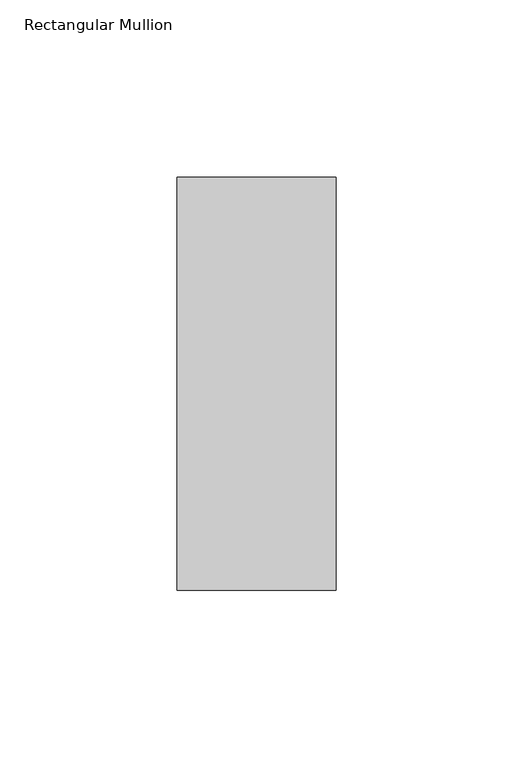
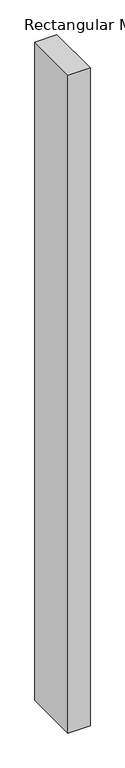
"""IFC4 building model written with IfcOpenShell, lengths in millimetres: member geometry, Rectangular Mullion."""

from ifc_helpers import new_model, si_unit, frame, origin, place, context, project, spatial, polyline, outline, extrude, source, transform, mapped, element, save


def rectangular_mullion_a855ef27(model_context):
    return source(origin(), model_context, "Body", "SweptSolid", [
        extrude(outline(polyline([(-45.0453125, 73.875), (0.0, 73.875), (0.0, -42.8257813), (-45.0453125, -42.8257813), (-45.0453125, 73.875)])), frame((0.0, 0.0, -1418.6210113), z_axis=(0.0, 0.0, 1.0), x_axis=(1.0, 0.0, 0.0)), (0.0, 0.0, 1.0), 1418.6210113),
    ])


if __name__ == "__main__":
    model = new_model("IFC4")
    model_context = context("Model", 3, world=origin())
    ifc_project = project(units=[si_unit("LENGTHUNIT", "METRE", prefix="MILLI")], contexts=[model_context])
    site = spatial("IfcSite", under=ifc_project)
    building = spatial("IfcBuilding", under=site)
    placement = place(None, origin())
    rectangular_mullion_shape = rectangular_mullion_a855ef27(model_context)
    element("IfcMember", 1, ObjectType="Rectangular Mullion", at=placement, inside=building, context=model_context, shape_type="MappedRepresentation", body=[
        mapped(rectangular_mullion_shape, transform((0.0, 0.0, 0.0), x_axis=(1.0, 0.0, 0.0), y_axis=(0.0, 1.0, 0.0), z_axis=(0.0, 0.0, 1.0))),
    ])
    save(model, "model.ifc")
